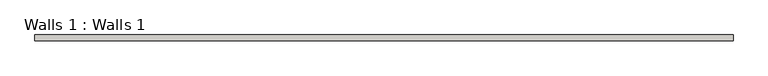
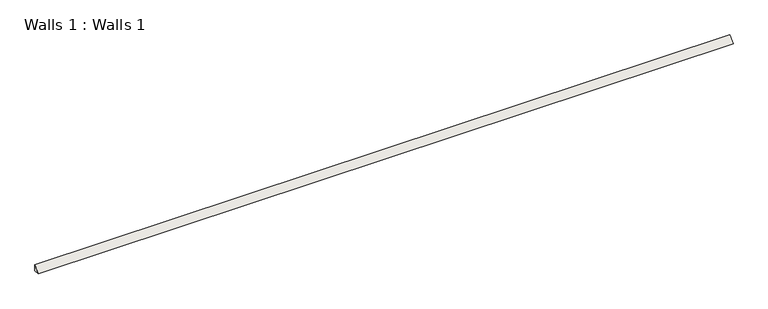
"""IFC4 building model written with IfcOpenShell, lengths in millimetres: wall geometry, Walls 1 : Walls 1."""

import ifcopenshell
import ifcopenshell.guid

model = None  # the IFC model being written
_history = None  # IfcOwnerHistory: only IFC2X3 demands one
_inside = {}  # id of a spatial element -> (the spatial element, [elements in it])
_under = {}  # id of a project, library or spatial element -> (it, [spatial elements below it])
_declared = {}  # id of a project -> (the project, [libraries it declares])
_typed = {}  # id of a type object -> (the type object, [elements of that type])
_made_of = {}  # id of a material, layer set ... -> (it, [elements and type objects made of it])


def new_model(schema):
    """Start an empty IFC model of exactly this schema.

    Asked for "IFC4X3", IfcOpenShell would pick the latest addendum, in which some entities
    have other attributes; the version numbers below select the first issue.
    IFC2X3 requires an IfcOwnerHistory on every rooted entity: one is made here for all.
    """
    global model, _history
    if schema == "IFC4X3":
        model = ifcopenshell.file(schema_version=(4, 3, 0, 0))
    else:
        model = ifcopenshell.file(schema=schema)
    _inside.clear()
    _under.clear()
    _declared.clear()
    _typed.clear()
    _made_of.clear()
    _history = None
    if model.schema == "IFC2X3":
        org = make("IfcOrganization", Name="unknown")
        user = make(
            "IfcPersonAndOrganization",
            ThePerson=make("IfcPerson", FamilyName="unknown"),
            TheOrganization=org,
        )
        app = make(
            "IfcApplication",
            ApplicationDeveloper=org,
            Version="unknown",
            ApplicationFullName="unknown",
            ApplicationIdentifier="unknown",
        )
        _history = make(
            "IfcOwnerHistory",
            OwningUser=user,
            OwningApplication=app,
            ChangeAction="ADDED",
            CreationDate=0,
        )
    return model


def make(cls, **values):
    """One entity of the class cls with the attributes given. An attribute that is None is left unset."""
    return model.create_entity(
        cls, **{name: value for name, value in values.items() if value is not None}
    )


def rooted(cls, **values):
    """An entity with a GlobalId (a new one), such as an element, a storey or a relation."""
    return make(cls, GlobalId=ifcopenshell.guid.new(), OwnerHistory=_history, **values)


def si_unit(unit_type, name, prefix=None):
    """IfcSIUnit, for example si_unit("LENGTHUNIT", "METRE", prefix="MILLI")."""
    return make("IfcSIUnit", UnitType=unit_type, Prefix=prefix, Name=name)


def assignment(units):
    """IfcUnitAssignment: the units of a project."""
    return None if units is None else make("IfcUnitAssignment", Units=units)


def point(xyz):
    """IfcCartesianPoint."""
    return None if xyz is None else make("IfcCartesianPoint", Coordinates=xyz)


def direction(xyz):
    """IfcDirection."""
    return None if xyz is None else make("IfcDirection", DirectionRatios=xyz)


def frame(location, z_axis=None, x_axis=None):
    """IfcAxis2Placement3D, a coordinate frame: its origin and axes. An axis left out is left unset."""
    return make(
        "IfcAxis2Placement3D",
        Location=point(location),
        Axis=direction(z_axis),
        RefDirection=direction(x_axis),
    )


def origin():
    """The frame at (0, 0, 0) with its axes left unset."""
    return frame((0.0, 0.0, 0.0))


def place(relative_to, where):
    """IfcLocalPlacement: puts the frame where relative to a parent placement (None: the world)."""
    return make(
        "IfcLocalPlacement", PlacementRelTo=relative_to, RelativePlacement=where
    )


def context(
    kind, dimensions, precision=None, world=None, true_north=None, identifier=None
):
    """IfcGeometricRepresentationContext, for example the 3D "Model" context."""
    return make(
        "IfcGeometricRepresentationContext",
        ContextIdentifier=identifier,
        ContextType=kind,
        CoordinateSpaceDimension=dimensions,
        Precision=precision,
        WorldCoordinateSystem=world,
        TrueNorth=true_north,
    )


def project(units=None, contexts=None):
    """IfcProject with its units and contexts."""
    return rooted(
        "IfcProject",
        Name="project",
        RepresentationContexts=contexts,
        UnitsInContext=assignment(units),
    )


def spatial(cls, under=None, at=None, **own):
    """A site, building, storey or space (cls), placed at a placement, below another one or the project."""
    s = rooted(cls, ObjectPlacement=at, **own)
    if under is not None:
        _under.setdefault(under.id(), (under, []))[1].append(s)
    return s


def polyline(points):
    """IfcPolyline through the points."""
    return make("IfcPolyline", Points=[point(p) for p in points])


def outline(outer, holes=None, kind="AREA"):
    """IfcArbitraryClosedProfileDef: a profile drawn as a closed curve; with holes, ...WithVoids."""
    if holes is None:
        return make("IfcArbitraryClosedProfileDef", ProfileType=kind, OuterCurve=outer)
    return make(
        "IfcArbitraryProfileDefWithVoids",
        ProfileType=kind,
        OuterCurve=outer,
        InnerCurves=holes,
    )


def extrude(swept, where, along, depth):
    """IfcExtrudedAreaSolid: the profile swept, set in the frame where, extruded along a direction by depth."""
    return make(
        "IfcExtrudedAreaSolid",
        SweptArea=swept,
        Position=where,
        ExtrudedDirection=direction(along),
        Depth=depth,
    )


def shape(context_of_items, identifier, shape_type, items):
    """IfcShapeRepresentation: the items that make up one representation, for example the "Body"."""
    return make(
        "IfcShapeRepresentation",
        ContextOfItems=context_of_items,
        RepresentationIdentifier=identifier,
        RepresentationType=shape_type,
        Items=items,
    )


def source(mapping_origin, context_of_items, identifier, shape_type, items):
    """IfcRepresentationMap: a shape defined once, which mapped items show again and again."""
    return make(
        "IfcRepresentationMap",
        MappingOrigin=mapping_origin,
        MappedRepresentation=shape(context_of_items, identifier, shape_type, items),
    )


def transform(
    local_origin,
    x_axis=None,
    y_axis=None,
    z_axis=None,
    scale=None,
    scale2=None,
    scale3=None,
    uniform=True,
):
    """IfcCartesianTransformationOperator3D, or its non-uniform kind. x_axis, y_axis, z_axis: its Axis1, 2, 3."""
    if uniform:
        return make(
            "IfcCartesianTransformationOperator3D",
            Axis1=direction(x_axis),
            Axis2=direction(y_axis),
            LocalOrigin=point(local_origin),
            Scale=scale,
            Axis3=direction(z_axis),
        )
    return make(
        "IfcCartesianTransformationOperator3DnonUniform",
        Axis1=direction(x_axis),
        Axis2=direction(y_axis),
        LocalOrigin=point(local_origin),
        Scale=scale,
        Axis3=direction(z_axis),
        Scale2=scale2,
        Scale3=scale3,
    )


def mapped(mapping_source, mapping_target):
    """IfcMappedItem: shows the shape of a source again, moved by a transform."""
    return make(
        "IfcMappedItem", MappingSource=mapping_source, MappingTarget=mapping_target
    )


def made_of(thing, what):
    """Note that an element or type object is made of a material, layer set ...; save() writes the relation."""
    if what is not None:
        _made_of.setdefault(what.id(), (what, []))[1].append(thing)
    return thing


def element(
    cls,
    number,
    at=None,
    inside=None,
    cuts=None,
    type_object=None,
    material=None,
    context=None,
    identifier="Body",
    shape_type=None,
    held_by="IfcProductDefinitionShape",
    body=None,
    shapes=None,
    **own,
):
    """One element of the class cls, such as IfcWall. Its Tag is "e" and its number.

    at: its placement. inside: the storey or other place that contains it. cuts: it is an
    opening in that element (IfcRelVoidsElement). A single representation is given by context,
    identifier, shape_type and body (its items); several are given by shapes. held_by: the class
    of the entity that holds the representations. save() writes the other relations.
    """
    e = rooted(cls, Tag="e%d" % number, ObjectPlacement=at, **own)
    if body is not None:
        shapes = [shape(context, identifier, shape_type, body)]
    if shapes is not None:
        e.Representation = make(held_by, Representations=shapes)
    if inside is not None:
        _inside.setdefault(inside.id(), (inside, []))[1].append(e)
    if cuts is not None:
        rooted(
            "IfcRelVoidsElement", RelatingBuildingElement=cuts, RelatedOpeningElement=e
        )
    if type_object is not None:
        _typed.setdefault(type_object.id(), (type_object, []))[1].append(e)
    return made_of(e, material)


def aggregate(whole, parts):
    """IfcRelAggregates: a whole, such as a stair, and the parts it consists of."""
    return rooted("IfcRelAggregates", RelatingObject=whole, RelatedObjects=parts)


def save(model, path):
    """Write the relations noted so far, then the file.

    IfcRelAggregates (storeys below a building ...), IfcRelContainedInSpatialStructure (elements
    in a storey), IfcRelDefinesByType, IfcRelAssociatesMaterial and IfcRelDeclares: one each for
    every whole, place, type object, material and project.
    """
    for whole, parts in _under.values():
        aggregate(whole, parts)
    for where, things in _inside.values():
        rooted(
            "IfcRelContainedInSpatialStructure",
            RelatedElements=things,
            RelatingStructure=where,
        )
    for kind, things in _typed.values():
        rooted("IfcRelDefinesByType", RelatedObjects=things, RelatingType=kind)
    for what, things in _made_of.values():
        rooted("IfcRelAssociatesMaterial", RelatedObjects=things, RelatingMaterial=what)
    for by, libraries in _declared.values():
        rooted("IfcRelDeclares", RelatingContext=by, RelatedDefinitions=libraries)
    model.write(path)


def walls_1_walls_1_425f73d9(model_context):
    return source(origin(), model_context, "Body", "SweptSolid", [
        extrude(outline(polyline([(-5537.2196289, 19.05), (-5537.2196289, 0.0), (-5556.2696289, 0.0), (-5537.2196289, 19.05)])), frame((-2777.3748426, 0.0, 0.0), z_axis=(1.0, 0.0, 0.0), x_axis=(0.0, 1.0, 0.0)), (0.0, 0.0, 1.0), 2260.6),
    ])


if __name__ == "__main__":
    model = new_model("IFC4")
    model_context = context("Model", 3, world=origin())
    ifc_project = project(units=[si_unit("LENGTHUNIT", "METRE", prefix="MILLI")], contexts=[model_context])
    site = spatial("IfcSite", under=ifc_project)
    building = spatial("IfcBuilding", under=site)
    placement = place(None, origin())
    walls_1_walls_1_shape = walls_1_walls_1_425f73d9(model_context)
    element("IfcWall", 1, ObjectType="Walls 1 : Walls 1", at=placement, inside=building, context=model_context, shape_type="MappedRepresentation", body=[
        mapped(walls_1_walls_1_shape, transform((0.0, 0.0, 0.0), x_axis=(1.0, 0.0, 0.0), y_axis=(0.0, 1.0, 0.0), z_axis=(0.0, 0.0, 1.0))),
    ])
    save(model, "model.ifc")
